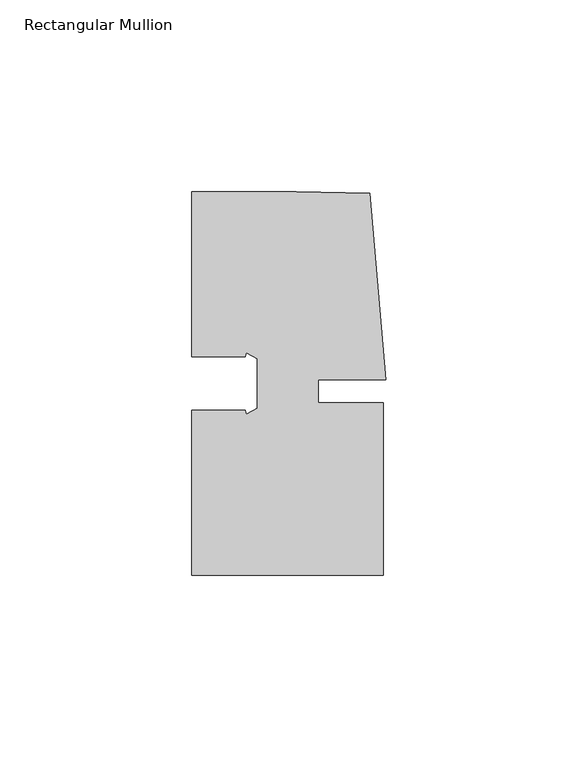
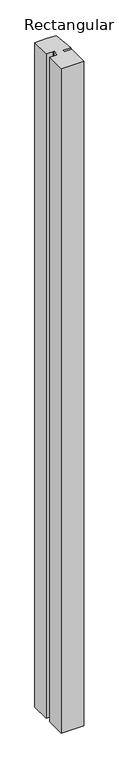
"""IFC4 building model written with IfcOpenShell, lengths in millimetres: member geometry, Rectangular Mullion."""

from ifc_helpers import new_model, si_unit, frame, origin, place, context, project, spatial, polyline, outline, extrude, source, transform, mapped, element, save


def rectangular_mullion_fbc45f4f(model_context):
    return source(origin(), model_context, "Body", "SweptSolid", [
        extrude(outline(polyline([(8.0004917, -3.0000287), (25.00003, -3.0000271), (25.0000344, -48.0000271), (-24.9999656, -48.000032), (-24.9999698, -5.000032), (-10.9999682, -5.000032), (-10.732019, -6.000032), (-7.9499712, -4.3938159), (-7.9499712, 8.3937819), (-10.732019, 9.999998), (-10.9999763, 8.999968), (-24.9999712, 8.999968), (-24.9999754, 51.999968), (2.2554581, 51.9999707), (21.3623265, 51.5846059), (25.6129344, 2.9999903), (8.0004911, 2.9999885), (8.0004917, -3.0000287)])), frame((0.0, 0.0, -1549.999978), z_axis=(0.0, 0.0, 1.0), x_axis=(1.0, 0.0, 0.0)), (0.0, 0.0, 1.0), 1549.999978),
    ])


if __name__ == "__main__":
    model = new_model("IFC4")
    model_context = context("Model", 3, world=origin())
    ifc_project = project(units=[si_unit("LENGTHUNIT", "METRE", prefix="MILLI")], contexts=[model_context])
    site = spatial("IfcSite", under=ifc_project)
    building = spatial("IfcBuilding", under=site)
    placement = place(None, origin())
    rectangular_mullion_shape = rectangular_mullion_fbc45f4f(model_context)
    element("IfcMember", 1, ObjectType="Rectangular Mullion", at=placement, inside=building, context=model_context, shape_type="MappedRepresentation", body=[
        mapped(rectangular_mullion_shape, transform((0.0, 0.0, 0.0), x_axis=(1.0, 0.0, 0.0), y_axis=(0.0, 1.0, 0.0), z_axis=(0.0, 0.0, 1.0))),
    ])
    save(model, "model.ifc")
